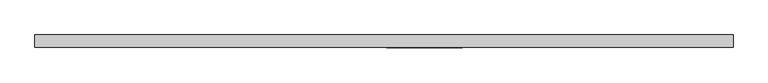
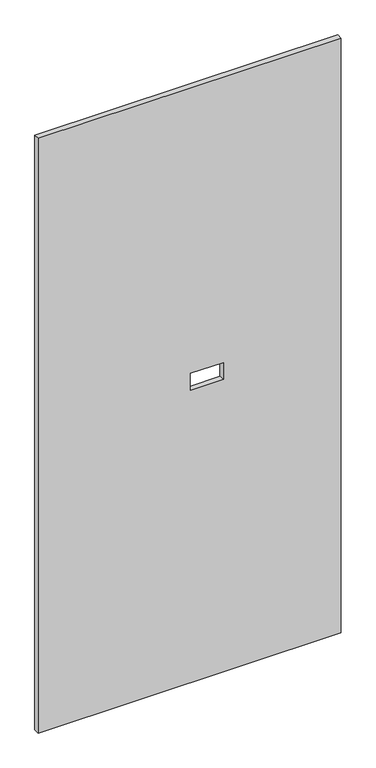
"""IFC4 building model written with IfcOpenShell, lengths in millimetres: proxy geometry."""

import ifcopenshell
import ifcopenshell.guid

model = None  # the IFC model being written
_history = None  # IfcOwnerHistory: only IFC2X3 demands one
_inside = {}  # id of a spatial element -> (the spatial element, [elements in it])
_under = {}  # id of a project, library or spatial element -> (it, [spatial elements below it])
_declared = {}  # id of a project -> (the project, [libraries it declares])
_typed = {}  # id of a type object -> (the type object, [elements of that type])
_made_of = {}  # id of a material, layer set ... -> (it, [elements and type objects made of it])


def new_model(schema):
    """Start an empty IFC model of exactly this schema.

    Asked for "IFC4X3", IfcOpenShell would pick the latest addendum, in which some entities
    have other attributes; the version numbers below select the first issue.
    IFC2X3 requires an IfcOwnerHistory on every rooted entity: one is made here for all.
    """
    global model, _history
    if schema == "IFC4X3":
        model = ifcopenshell.file(schema_version=(4, 3, 0, 0))
    else:
        model = ifcopenshell.file(schema=schema)
    _inside.clear()
    _under.clear()
    _declared.clear()
    _typed.clear()
    _made_of.clear()
    _history = None
    if model.schema == "IFC2X3":
        org = make("IfcOrganization", Name="unknown")
        user = make(
            "IfcPersonAndOrganization",
            ThePerson=make("IfcPerson", FamilyName="unknown"),
            TheOrganization=org,
        )
        app = make(
            "IfcApplication",
            ApplicationDeveloper=org,
            Version="unknown",
            ApplicationFullName="unknown",
            ApplicationIdentifier="unknown",
        )
        _history = make(
            "IfcOwnerHistory",
            OwningUser=user,
            OwningApplication=app,
            ChangeAction="ADDED",
            CreationDate=0,
        )
    return model


def make(cls, **values):
    """One entity of the class cls with the attributes given. An attribute that is None is left unset."""
    return model.create_entity(
        cls, **{name: value for name, value in values.items() if value is not None}
    )


def rooted(cls, **values):
    """An entity with a GlobalId (a new one), such as an element, a storey or a relation."""
    return make(cls, GlobalId=ifcopenshell.guid.new(), OwnerHistory=_history, **values)


def si_unit(unit_type, name, prefix=None):
    """IfcSIUnit, for example si_unit("LENGTHUNIT", "METRE", prefix="MILLI")."""
    return make("IfcSIUnit", UnitType=unit_type, Prefix=prefix, Name=name)


def assignment(units):
    """IfcUnitAssignment: the units of a project."""
    return None if units is None else make("IfcUnitAssignment", Units=units)


def point(xyz):
    """IfcCartesianPoint."""
    return None if xyz is None else make("IfcCartesianPoint", Coordinates=xyz)


def direction(xyz):
    """IfcDirection."""
    return None if xyz is None else make("IfcDirection", DirectionRatios=xyz)


def frame(location, z_axis=None, x_axis=None):
    """IfcAxis2Placement3D, a coordinate frame: its origin and axes. An axis left out is left unset."""
    return make(
        "IfcAxis2Placement3D",
        Location=point(location),
        Axis=direction(z_axis),
        RefDirection=direction(x_axis),
    )


def origin():
    """The frame at (0, 0, 0) with its axes left unset."""
    return frame((0.0, 0.0, 0.0))


def place(relative_to, where):
    """IfcLocalPlacement: puts the frame where relative to a parent placement (None: the world)."""
    return make(
        "IfcLocalPlacement", PlacementRelTo=relative_to, RelativePlacement=where
    )


def context(
    kind, dimensions, precision=None, world=None, true_north=None, identifier=None
):
    """IfcGeometricRepresentationContext, for example the 3D "Model" context."""
    return make(
        "IfcGeometricRepresentationContext",
        ContextIdentifier=identifier,
        ContextType=kind,
        CoordinateSpaceDimension=dimensions,
        Precision=precision,
        WorldCoordinateSystem=world,
        TrueNorth=true_north,
    )


def project(units=None, contexts=None):
    """IfcProject with its units and contexts."""
    return rooted(
        "IfcProject",
        Name="project",
        RepresentationContexts=contexts,
        UnitsInContext=assignment(units),
    )


def spatial(cls, under=None, at=None, **own):
    """A site, building, storey or space (cls), placed at a placement, below another one or the project."""
    s = rooted(cls, ObjectPlacement=at, **own)
    if under is not None:
        _under.setdefault(under.id(), (under, []))[1].append(s)
    return s


def polyline(points):
    """IfcPolyline through the points."""
    return make("IfcPolyline", Points=[point(p) for p in points])


def outline(outer, holes=None, kind="AREA"):
    """IfcArbitraryClosedProfileDef: a profile drawn as a closed curve; with holes, ...WithVoids."""
    if holes is None:
        return make("IfcArbitraryClosedProfileDef", ProfileType=kind, OuterCurve=outer)
    return make(
        "IfcArbitraryProfileDefWithVoids",
        ProfileType=kind,
        OuterCurve=outer,
        InnerCurves=holes,
    )


def extrude(swept, where, along, depth):
    """IfcExtrudedAreaSolid: the profile swept, set in the frame where, extruded along a direction by depth."""
    return make(
        "IfcExtrudedAreaSolid",
        SweptArea=swept,
        Position=where,
        ExtrudedDirection=direction(along),
        Depth=depth,
    )


def shape(context_of_items, identifier, shape_type, items):
    """IfcShapeRepresentation: the items that make up one representation, for example the "Body"."""
    return make(
        "IfcShapeRepresentation",
        ContextOfItems=context_of_items,
        RepresentationIdentifier=identifier,
        RepresentationType=shape_type,
        Items=items,
    )


def source(mapping_origin, context_of_items, identifier, shape_type, items):
    """IfcRepresentationMap: a shape defined once, which mapped items show again and again."""
    return make(
        "IfcRepresentationMap",
        MappingOrigin=mapping_origin,
        MappedRepresentation=shape(context_of_items, identifier, shape_type, items),
    )


def transform(
    local_origin,
    x_axis=None,
    y_axis=None,
    z_axis=None,
    scale=None,
    scale2=None,
    scale3=None,
    uniform=True,
):
    """IfcCartesianTransformationOperator3D, or its non-uniform kind. x_axis, y_axis, z_axis: its Axis1, 2, 3."""
    if uniform:
        return make(
            "IfcCartesianTransformationOperator3D",
            Axis1=direction(x_axis),
            Axis2=direction(y_axis),
            LocalOrigin=point(local_origin),
            Scale=scale,
            Axis3=direction(z_axis),
        )
    return make(
        "IfcCartesianTransformationOperator3DnonUniform",
        Axis1=direction(x_axis),
        Axis2=direction(y_axis),
        LocalOrigin=point(local_origin),
        Scale=scale,
        Axis3=direction(z_axis),
        Scale2=scale2,
        Scale3=scale3,
    )


def mapped(mapping_source, mapping_target):
    """IfcMappedItem: shows the shape of a source again, moved by a transform."""
    return make(
        "IfcMappedItem", MappingSource=mapping_source, MappingTarget=mapping_target
    )


def made_of(thing, what):
    """Note that an element or type object is made of a material, layer set ...; save() writes the relation."""
    if what is not None:
        _made_of.setdefault(what.id(), (what, []))[1].append(thing)
    return thing


def element(
    cls,
    number,
    at=None,
    inside=None,
    cuts=None,
    type_object=None,
    material=None,
    context=None,
    identifier="Body",
    shape_type=None,
    held_by="IfcProductDefinitionShape",
    body=None,
    shapes=None,
    **own,
):
    """One element of the class cls, such as IfcWall. Its Tag is "e" and its number.

    at: its placement. inside: the storey or other place that contains it. cuts: it is an
    opening in that element (IfcRelVoidsElement). A single representation is given by context,
    identifier, shape_type and body (its items); several are given by shapes. held_by: the class
    of the entity that holds the representations. save() writes the other relations.
    """
    e = rooted(cls, Tag="e%d" % number, ObjectPlacement=at, **own)
    if body is not None:
        shapes = [shape(context, identifier, shape_type, body)]
    if shapes is not None:
        e.Representation = make(held_by, Representations=shapes)
    if inside is not None:
        _inside.setdefault(inside.id(), (inside, []))[1].append(e)
    if cuts is not None:
        rooted(
            "IfcRelVoidsElement", RelatingBuildingElement=cuts, RelatedOpeningElement=e
        )
    if type_object is not None:
        _typed.setdefault(type_object.id(), (type_object, []))[1].append(e)
    return made_of(e, material)


def aggregate(whole, parts):
    """IfcRelAggregates: a whole, such as a stair, and the parts it consists of."""
    return rooted("IfcRelAggregates", RelatingObject=whole, RelatedObjects=parts)


def save(model, path):
    """Write the relations noted so far, then the file.

    IfcRelAggregates (storeys below a building ...), IfcRelContainedInSpatialStructure (elements
    in a storey), IfcRelDefinesByType, IfcRelAssociatesMaterial and IfcRelDeclares: one each for
    every whole, place, type object, material and project.
    """
    for whole, parts in _under.values():
        aggregate(whole, parts)
    for where, things in _inside.values():
        rooted(
            "IfcRelContainedInSpatialStructure",
            RelatedElements=things,
            RelatingStructure=where,
        )
    for kind, things in _typed.values():
        rooted("IfcRelDefinesByType", RelatedObjects=things, RelatingType=kind)
    for what, things in _made_of.values():
        rooted("IfcRelAssociatesMaterial", RelatedObjects=things, RelatingMaterial=what)
    for by, libraries in _declared.values():
        rooted("IfcRelDeclares", RelatingContext=by, RelatedDefinitions=libraries)
    model.write(path)


def specialty_equipment_3a20cd4f(model_context):
    return source(origin(), model_context, "Body", "SweptSolid", [
        extrude(outline(polyline([(2206.625, -531.5204), (3.175, -531.5204), (3.175, 531.5204), (2206.625, 531.5204), (2206.625, -531.5204)]), holes=[polyline([(1086.485, 118.872), (1086.485, 4.064), (1148.715, 4.064), (1148.715, 118.872), (1086.485, 118.872)])]), frame((0.0, -9.525, 0.0), z_axis=(0.0, 1.0, 0.0), x_axis=(0.0, 0.0, 1.0)), (0.0, 0.0, 1.0), 19.05),
    ])


if __name__ == "__main__":
    model = new_model("IFC4")
    model_context = context("Model", 3, world=origin())
    ifc_project = project(units=[si_unit("LENGTHUNIT", "METRE", prefix="MILLI")], contexts=[model_context])
    site = spatial("IfcSite", under=ifc_project)
    building = spatial("IfcBuilding", under=site)
    placement = place(None, origin())
    specialty_equipment_shape = specialty_equipment_3a20cd4f(model_context)
    element("IfcBuildingElementProxy", 1, Name="Specialty Equipment", at=placement, inside=building, context=model_context, shape_type="MappedRepresentation", body=[
        mapped(specialty_equipment_shape, transform((0.0, 0.0, 0.0), x_axis=(1.0, 0.0, 0.0), y_axis=(0.0, 1.0, 0.0), z_axis=(0.0, 0.0, 1.0))),
    ])
    save(model, "model.ifc")
